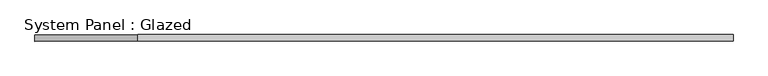
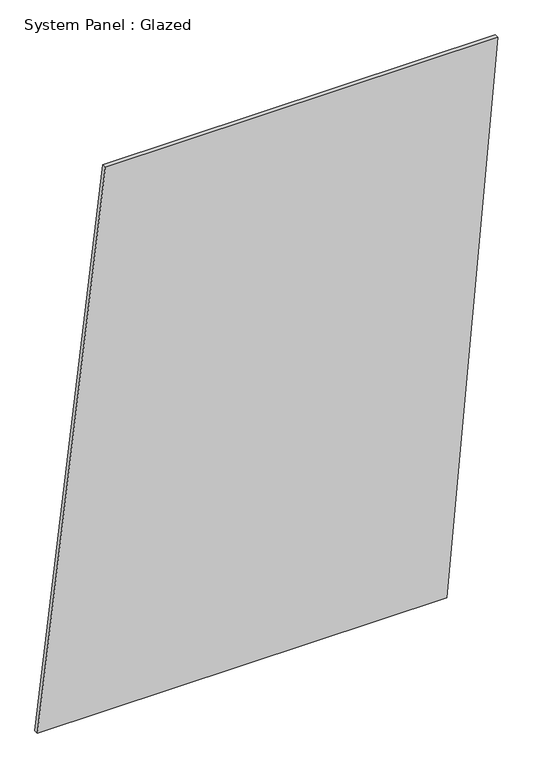
"""IFC4 building model written with IfcOpenShell, lengths in millimetres: plate geometry, System Panel : Glazed."""

import ifcopenshell
import ifcopenshell.guid

model = None  # the IFC model being written
_history = None  # IfcOwnerHistory: only IFC2X3 demands one
_inside = {}  # id of a spatial element -> (the spatial element, [elements in it])
_under = {}  # id of a project, library or spatial element -> (it, [spatial elements below it])
_declared = {}  # id of a project -> (the project, [libraries it declares])
_typed = {}  # id of a type object -> (the type object, [elements of that type])
_made_of = {}  # id of a material, layer set ... -> (it, [elements and type objects made of it])


def new_model(schema):
    """Start an empty IFC model of exactly this schema.

    Asked for "IFC4X3", IfcOpenShell would pick the latest addendum, in which some entities
    have other attributes; the version numbers below select the first issue.
    IFC2X3 requires an IfcOwnerHistory on every rooted entity: one is made here for all.
    """
    global model, _history
    if schema == "IFC4X3":
        model = ifcopenshell.file(schema_version=(4, 3, 0, 0))
    else:
        model = ifcopenshell.file(schema=schema)
    _inside.clear()
    _under.clear()
    _declared.clear()
    _typed.clear()
    _made_of.clear()
    _history = None
    if model.schema == "IFC2X3":
        org = make("IfcOrganization", Name="unknown")
        user = make(
            "IfcPersonAndOrganization",
            ThePerson=make("IfcPerson", FamilyName="unknown"),
            TheOrganization=org,
        )
        app = make(
            "IfcApplication",
            ApplicationDeveloper=org,
            Version="unknown",
            ApplicationFullName="unknown",
            ApplicationIdentifier="unknown",
        )
        _history = make(
            "IfcOwnerHistory",
            OwningUser=user,
            OwningApplication=app,
            ChangeAction="ADDED",
            CreationDate=0,
        )
    return model


def make(cls, **values):
    """One entity of the class cls with the attributes given. An attribute that is None is left unset."""
    return model.create_entity(
        cls, **{name: value for name, value in values.items() if value is not None}
    )


def rooted(cls, **values):
    """An entity with a GlobalId (a new one), such as an element, a storey or a relation."""
    return make(cls, GlobalId=ifcopenshell.guid.new(), OwnerHistory=_history, **values)


def si_unit(unit_type, name, prefix=None):
    """IfcSIUnit, for example si_unit("LENGTHUNIT", "METRE", prefix="MILLI")."""
    return make("IfcSIUnit", UnitType=unit_type, Prefix=prefix, Name=name)


def assignment(units):
    """IfcUnitAssignment: the units of a project."""
    return None if units is None else make("IfcUnitAssignment", Units=units)


def point(xyz):
    """IfcCartesianPoint."""
    return None if xyz is None else make("IfcCartesianPoint", Coordinates=xyz)


def direction(xyz):
    """IfcDirection."""
    return None if xyz is None else make("IfcDirection", DirectionRatios=xyz)


def frame(location, z_axis=None, x_axis=None):
    """IfcAxis2Placement3D, a coordinate frame: its origin and axes. An axis left out is left unset."""
    return make(
        "IfcAxis2Placement3D",
        Location=point(location),
        Axis=direction(z_axis),
        RefDirection=direction(x_axis),
    )


def origin():
    """The frame at (0, 0, 0) with its axes left unset."""
    return frame((0.0, 0.0, 0.0))


def place(relative_to, where):
    """IfcLocalPlacement: puts the frame where relative to a parent placement (None: the world)."""
    return make(
        "IfcLocalPlacement", PlacementRelTo=relative_to, RelativePlacement=where
    )


def context(
    kind, dimensions, precision=None, world=None, true_north=None, identifier=None
):
    """IfcGeometricRepresentationContext, for example the 3D "Model" context."""
    return make(
        "IfcGeometricRepresentationContext",
        ContextIdentifier=identifier,
        ContextType=kind,
        CoordinateSpaceDimension=dimensions,
        Precision=precision,
        WorldCoordinateSystem=world,
        TrueNorth=true_north,
    )


def project(units=None, contexts=None):
    """IfcProject with its units and contexts."""
    return rooted(
        "IfcProject",
        Name="project",
        RepresentationContexts=contexts,
        UnitsInContext=assignment(units),
    )


def spatial(cls, under=None, at=None, **own):
    """A site, building, storey or space (cls), placed at a placement, below another one or the project."""
    s = rooted(cls, ObjectPlacement=at, **own)
    if under is not None:
        _under.setdefault(under.id(), (under, []))[1].append(s)
    return s


def polyline(points):
    """IfcPolyline through the points."""
    return make("IfcPolyline", Points=[point(p) for p in points])


def outline(outer, holes=None, kind="AREA"):
    """IfcArbitraryClosedProfileDef: a profile drawn as a closed curve; with holes, ...WithVoids."""
    if holes is None:
        return make("IfcArbitraryClosedProfileDef", ProfileType=kind, OuterCurve=outer)
    return make(
        "IfcArbitraryProfileDefWithVoids",
        ProfileType=kind,
        OuterCurve=outer,
        InnerCurves=holes,
    )


def extrude(swept, where, along, depth):
    """IfcExtrudedAreaSolid: the profile swept, set in the frame where, extruded along a direction by depth."""
    return make(
        "IfcExtrudedAreaSolid",
        SweptArea=swept,
        Position=where,
        ExtrudedDirection=direction(along),
        Depth=depth,
    )


def shape(context_of_items, identifier, shape_type, items):
    """IfcShapeRepresentation: the items that make up one representation, for example the "Body"."""
    return make(
        "IfcShapeRepresentation",
        ContextOfItems=context_of_items,
        RepresentationIdentifier=identifier,
        RepresentationType=shape_type,
        Items=items,
    )


def source(mapping_origin, context_of_items, identifier, shape_type, items):
    """IfcRepresentationMap: a shape defined once, which mapped items show again and again."""
    return make(
        "IfcRepresentationMap",
        MappingOrigin=mapping_origin,
        MappedRepresentation=shape(context_of_items, identifier, shape_type, items),
    )


def transform(
    local_origin,
    x_axis=None,
    y_axis=None,
    z_axis=None,
    scale=None,
    scale2=None,
    scale3=None,
    uniform=True,
):
    """IfcCartesianTransformationOperator3D, or its non-uniform kind. x_axis, y_axis, z_axis: its Axis1, 2, 3."""
    if uniform:
        return make(
            "IfcCartesianTransformationOperator3D",
            Axis1=direction(x_axis),
            Axis2=direction(y_axis),
            LocalOrigin=point(local_origin),
            Scale=scale,
            Axis3=direction(z_axis),
        )
    return make(
        "IfcCartesianTransformationOperator3DnonUniform",
        Axis1=direction(x_axis),
        Axis2=direction(y_axis),
        LocalOrigin=point(local_origin),
        Scale=scale,
        Axis3=direction(z_axis),
        Scale2=scale2,
        Scale3=scale3,
    )


def mapped(mapping_source, mapping_target):
    """IfcMappedItem: shows the shape of a source again, moved by a transform."""
    return make(
        "IfcMappedItem", MappingSource=mapping_source, MappingTarget=mapping_target
    )


def made_of(thing, what):
    """Note that an element or type object is made of a material, layer set ...; save() writes the relation."""
    if what is not None:
        _made_of.setdefault(what.id(), (what, []))[1].append(thing)
    return thing


def element(
    cls,
    number,
    at=None,
    inside=None,
    cuts=None,
    type_object=None,
    material=None,
    context=None,
    identifier="Body",
    shape_type=None,
    held_by="IfcProductDefinitionShape",
    body=None,
    shapes=None,
    **own,
):
    """One element of the class cls, such as IfcWall. Its Tag is "e" and its number.

    at: its placement. inside: the storey or other place that contains it. cuts: it is an
    opening in that element (IfcRelVoidsElement). A single representation is given by context,
    identifier, shape_type and body (its items); several are given by shapes. held_by: the class
    of the entity that holds the representations. save() writes the other relations.
    """
    e = rooted(cls, Tag="e%d" % number, ObjectPlacement=at, **own)
    if body is not None:
        shapes = [shape(context, identifier, shape_type, body)]
    if shapes is not None:
        e.Representation = make(held_by, Representations=shapes)
    if inside is not None:
        _inside.setdefault(inside.id(), (inside, []))[1].append(e)
    if cuts is not None:
        rooted(
            "IfcRelVoidsElement", RelatingBuildingElement=cuts, RelatedOpeningElement=e
        )
    if type_object is not None:
        _typed.setdefault(type_object.id(), (type_object, []))[1].append(e)
    return made_of(e, material)


def aggregate(whole, parts):
    """IfcRelAggregates: a whole, such as a stair, and the parts it consists of."""
    return rooted("IfcRelAggregates", RelatingObject=whole, RelatedObjects=parts)


def save(model, path):
    """Write the relations noted so far, then the file.

    IfcRelAggregates (storeys below a building ...), IfcRelContainedInSpatialStructure (elements
    in a storey), IfcRelDefinesByType, IfcRelAssociatesMaterial and IfcRelDeclares: one each for
    every whole, place, type object, material and project.
    """
    for whole, parts in _under.values():
        aggregate(whole, parts)
    for where, things in _inside.values():
        rooted(
            "IfcRelContainedInSpatialStructure",
            RelatedElements=things,
            RelatingStructure=where,
        )
    for kind, things in _typed.values():
        rooted("IfcRelDefinesByType", RelatedObjects=things, RelatingType=kind)
    for what, things in _made_of.values():
        rooted("IfcRelAssociatesMaterial", RelatedObjects=things, RelatingMaterial=what)
    for by, libraries in _declared.values():
        rooted("IfcRelDeclares", RelatingContext=by, RelatedDefinitions=libraries)
    model.write(path)


def system_panel_glazed_d70eb60f(model_context):
    return source(origin(), model_context, "Body", "SweptSolid", [
        extrude(outline(polyline([(0.0, -1338.1136282), (0.0, 1042.1125053), (3338.9590981, 1338.1136282), (3338.9590981, -943.4454644), (0.0, -1338.1136282)])), frame((0.0, -49.5, 0.0), z_axis=(0.0, 1.0, 0.0), x_axis=(0.0, 0.0, 1.0)), (0.0, 0.0, 1.0), 25.0),
    ])


if __name__ == "__main__":
    model = new_model("IFC4")
    model_context = context("Model", 3, world=origin())
    ifc_project = project(units=[si_unit("LENGTHUNIT", "METRE", prefix="MILLI")], contexts=[model_context])
    site = spatial("IfcSite", under=ifc_project)
    building = spatial("IfcBuilding", under=site)
    placement = place(None, origin())
    system_panel_glazed_shape = system_panel_glazed_d70eb60f(model_context)
    element("IfcPlate", 1, ObjectType="System Panel : Glazed", at=placement, inside=building, context=model_context, shape_type="MappedRepresentation", body=[
        mapped(system_panel_glazed_shape, transform((0.0, 0.0, 0.0), x_axis=(1.0, 0.0, 0.0), y_axis=(0.0, 1.0, 0.0), z_axis=(0.0, 0.0, 1.0))),
    ])
    save(model, "model.ifc")
